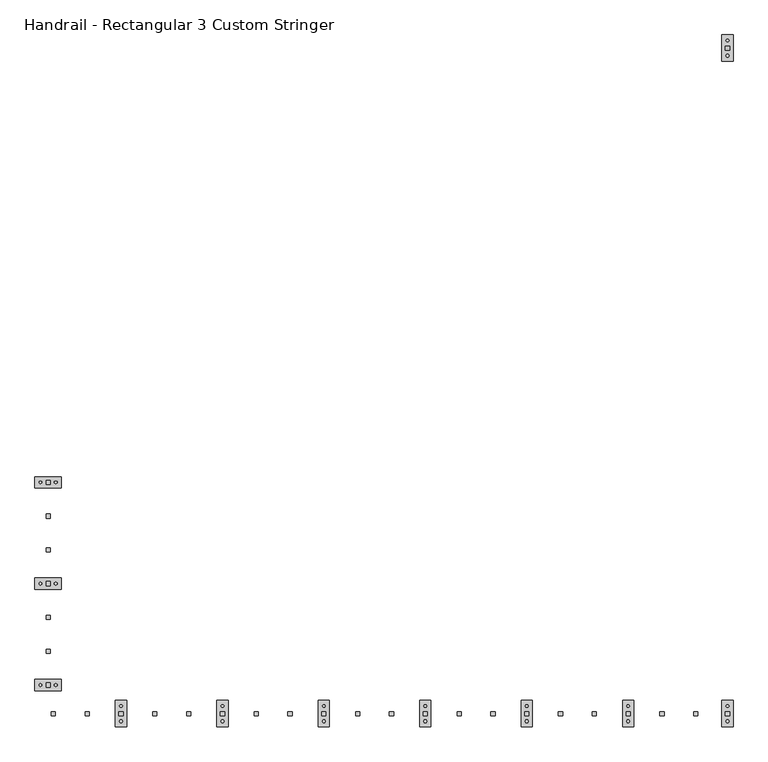
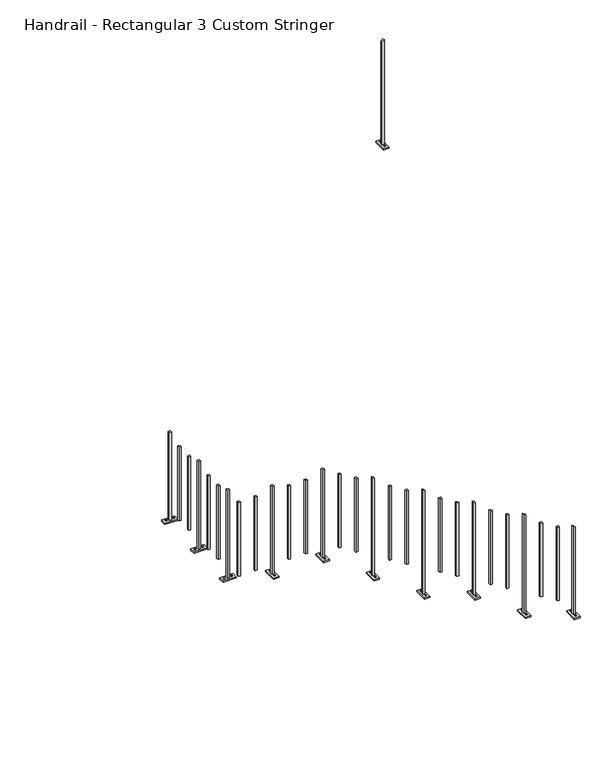
"""IFC4 building model written with IfcOpenShell, lengths in millimetres: railing geometry, Handrail - Rectangular 3 Custom Stringer."""

from ifc_helpers import new_model, si_unit, frame, origin, place, context, project, spatial, polyline, outline, extrude, faceted_brep, source, transform, mapped, element, save


def handrail_rectangular_3_custom_stringer_d1c2393f(model_context):
    return source(origin(), model_context, "Body", "SolidModel", [
        faceted_brep([(-5700.7876908, -9950.9830892, 1524.0), (-5821.4376908, -9950.9830892, 1524.0), (-5821.4376908, -9900.1830892, 1524.0), (-5700.7876908, -9900.1830892, 1524.0), (-5770.6376908, -9935.1080892, 2387.6), (-5770.6376908, -9935.1080892, 1536.7), (-5751.5876908, -9935.1080892, 1536.7), (-5751.5876908, -9935.1080892, 2387.6), (-5770.6376908, -9916.0580892, 2387.6), (-5770.6376908, -9916.0580892, 1536.7), (-5751.5876908, -9916.0580892, 2387.6), (-5751.5876908, -9916.0580892, 1536.7), (-5700.7876908, -9950.9830892, 1536.7), (-5700.7876908, -9900.1830892, 1536.7), (-5821.4376908, -9900.1830892, 1536.7), (-5821.4376908, -9950.9830892, 1536.7)], [[[0, 1, 2, 3]], [[4, 5, 6, 7]], [[8, 9, 5, 4]], [[10, 11, 9, 8]], [[7, 6, 11, 10]], [[7, 10, 8, 4]], [[12, 13, 14, 15], [5, 9, 11, 6]], [[15, 1, 0, 12]], [[14, 2, 1, 15]], [[13, 3, 2, 14]], [[12, 0, 3, 13]]]),
        extrude(outline(polyline([(-5796.0376908, -9932.9154376), (-5802.3876908, -9929.2492634), (-5802.3876908, -9921.916915), (-5796.0376908, -9918.2507408), (-5789.6876908, -9921.916915), (-5789.6876908, -9929.2492634), (-5796.0376908, -9932.9154376)])), frame((0.0, 0.0, 1536.7), z_axis=(0.0, 0.0, 1.0), x_axis=(1.0, 0.0, 0.0)), (0.0, 0.0, 1.0), 6.35),
        extrude(outline(polyline([(-5726.1876908, -9932.9154376), (-5732.5376908, -9929.2492634), (-5732.5376908, -9921.916915), (-5726.1876908, -9918.2507408), (-5719.8376908, -9921.916915), (-5719.8376908, -9929.2492634), (-5726.1876908, -9932.9154376)])), frame((0.0, 0.0, 1536.7), z_axis=(0.0, 0.0, 1.0), x_axis=(1.0, 0.0, 0.0)), (0.0, 0.0, 1.0), 6.35),
        extrude(outline(polyline([(-5770.6376908, -10088.8701327), (-5770.6376908, -10069.8201327), (-5751.5876908, -10069.8201327), (-5751.5876908, -10088.8701327), (-5770.6376908, -10088.8701327)])), frame((0.0, 0.0, 1625.6), z_axis=(0.0, 0.0, 1.0), x_axis=(1.0, 0.0, 0.0)), (0.0, 0.0, 1.0), 711.2),
        extrude(outline(polyline([(-5770.6376908, -10242.6321763), (-5770.6376908, -10223.5821763), (-5751.5876908, -10223.5821763), (-5751.5876908, -10242.6321763), (-5770.6376908, -10242.6321763)])), frame((0.0, 0.0, 1625.6), z_axis=(0.0, 0.0, 1.0), x_axis=(1.0, 0.0, 0.0)), (0.0, 0.0, 1.0), 711.2),
        faceted_brep([(-5700.7876908, -10412.2692198, 1524.0), (-5821.4376908, -10412.2692198, 1524.0), (-5821.4376908, -10361.4692198, 1524.0), (-5700.7876908, -10361.4692198, 1524.0), (-5770.6376908, -10396.3942198, 2387.6), (-5770.6376908, -10396.3942198, 1536.7), (-5751.5876908, -10396.3942198, 1536.7), (-5751.5876908, -10396.3942198, 2387.6), (-5770.6376908, -10377.3442198, 2387.6), (-5770.6376908, -10377.3442198, 1536.7), (-5751.5876908, -10377.3442198, 2387.6), (-5751.5876908, -10377.3442198, 1536.7), (-5700.7876908, -10412.2692198, 1536.7), (-5700.7876908, -10361.4692198, 1536.7), (-5821.4376908, -10361.4692198, 1536.7), (-5821.4376908, -10412.2692198, 1536.7)], [[[0, 1, 2, 3]], [[4, 5, 6, 7]], [[8, 9, 5, 4]], [[10, 11, 9, 8]], [[7, 6, 11, 10]], [[7, 10, 8, 4]], [[12, 13, 14, 15], [5, 9, 11, 6]], [[15, 1, 0, 12]], [[14, 2, 1, 15]], [[13, 3, 2, 14]], [[12, 0, 3, 13]]]),
        extrude(outline(polyline([(-5796.0376908, -10394.2015682), (-5802.3876908, -10390.535394), (-5802.3876908, -10383.2030456), (-5796.0376908, -10379.5368714), (-5789.6876908, -10383.2030456), (-5789.6876908, -10390.535394), (-5796.0376908, -10394.2015682)])), frame((0.0, 0.0, 1536.7), z_axis=(0.0, 0.0, 1.0), x_axis=(1.0, 0.0, 0.0)), (0.0, 0.0, 1.0), 6.35),
        extrude(outline(polyline([(-5726.1876908, -10394.2015682), (-5732.5376908, -10390.535394), (-5732.5376908, -10383.2030456), (-5726.1876908, -10379.5368714), (-5719.8376908, -10383.2030456), (-5719.8376908, -10390.535394), (-5726.1876908, -10394.2015682)])), frame((0.0, 0.0, 1536.7), z_axis=(0.0, 0.0, 1.0), x_axis=(1.0, 0.0, 0.0)), (0.0, 0.0, 1.0), 6.35),
        extrude(outline(polyline([(-5770.6376908, -10550.1562633), (-5770.6376908, -10531.1062633), (-5751.5876908, -10531.1062633), (-5751.5876908, -10550.1562633), (-5770.6376908, -10550.1562633)])), frame((0.0, 0.0, 1625.6), z_axis=(0.0, 0.0, 1.0), x_axis=(1.0, 0.0, 0.0)), (0.0, 0.0, 1.0), 711.2),
        extrude(outline(polyline([(-5770.6376908, -10703.9183069), (-5770.6376908, -10684.8683069), (-5751.5876908, -10684.8683069), (-5751.5876908, -10703.9183069), (-5770.6376908, -10703.9183069)])), frame((0.0, 0.0, 1625.6), z_axis=(0.0, 0.0, 1.0), x_axis=(1.0, 0.0, 0.0)), (0.0, 0.0, 1.0), 711.2),
        faceted_brep([(-5700.7876908, -10873.5553504, 1524.0), (-5821.4376908, -10873.5553504, 1524.0), (-5821.4376908, -10822.7553504, 1524.0), (-5700.7876908, -10822.7553504, 1524.0), (-5770.6376908, -10857.6803504, 2387.6), (-5770.6376908, -10857.6803504, 1536.7), (-5751.5876908, -10857.6803504, 1536.7), (-5751.5876908, -10857.6803504, 2387.6), (-5770.6376908, -10838.6303504, 2387.6), (-5770.6376908, -10838.6303504, 1536.7), (-5751.5876908, -10838.6303504, 2387.6), (-5751.5876908, -10838.6303504, 1536.7), (-5700.7876908, -10873.5553504, 1536.7), (-5700.7876908, -10822.7553504, 1536.7), (-5821.4376908, -10822.7553504, 1536.7), (-5821.4376908, -10873.5553504, 1536.7)], [[[0, 1, 2, 3]], [[4, 5, 6, 7]], [[8, 9, 5, 4]], [[10, 11, 9, 8]], [[7, 6, 11, 10]], [[7, 10, 8, 4]], [[12, 13, 14, 15], [5, 9, 11, 6]], [[15, 1, 0, 12]], [[14, 2, 1, 15]], [[13, 3, 2, 14]], [[12, 0, 3, 13]]]),
        extrude(outline(polyline([(-5796.0376908, -10855.4876989), (-5802.3876908, -10851.8215246), (-5802.3876908, -10844.4891762), (-5796.0376908, -10840.823002), (-5789.6876908, -10844.4891762), (-5789.6876908, -10851.8215246), (-5796.0376908, -10855.4876989)])), frame((0.0, 0.0, 1536.7), z_axis=(0.0, 0.0, 1.0), x_axis=(1.0, 0.0, 0.0)), (0.0, 0.0, 1.0), 6.35),
        extrude(outline(polyline([(-5726.1876908, -10855.4876989), (-5732.5376908, -10851.8215246), (-5732.5376908, -10844.4891762), (-5726.1876908, -10840.823002), (-5719.8376908, -10844.4891762), (-5719.8376908, -10851.8215246), (-5726.1876908, -10855.4876989)])), frame((0.0, 0.0, 1536.7), z_axis=(0.0, 0.0, 1.0), x_axis=(1.0, 0.0, 0.0)), (0.0, 0.0, 1.0), 6.35),
        extrude(outline(polyline([(-5728.0285617, -10987.8832649), (-5747.0785617, -10987.8832649), (-5747.0785617, -10968.8332649), (-5728.0285617, -10968.8332649), (-5728.0285617, -10987.8832649)])), frame((0.0, 0.0, 1625.6), z_axis=(0.0, 0.0, 1.0), x_axis=(1.0, 0.0, 0.0)), (0.0, 0.0, 1.0), 711.2),
        extrude(outline(polyline([(-5574.2665182, -10987.8832649), (-5593.3165182, -10987.8832649), (-5593.3165182, -10968.8332649), (-5574.2665182, -10968.8332649), (-5574.2665182, -10987.8832649)])), frame((0.0, 0.0, 1625.6), z_axis=(0.0, 0.0, 1.0), x_axis=(1.0, 0.0, 0.0)), (0.0, 0.0, 1.0), 711.2),
        faceted_brep([(-5404.6294746, -10918.0332649, 1524.0), (-5404.6294746, -11038.6832649, 1524.0), (-5455.4294746, -11038.6832649, 1524.0), (-5455.4294746, -10918.0332649, 1524.0), (-5420.5044746, -10987.8832649, 2387.6), (-5420.5044746, -10987.8832649, 1536.7), (-5420.5044746, -10968.8332649, 1536.7), (-5420.5044746, -10968.8332649, 2387.6), (-5439.5544746, -10987.8832649, 2387.6), (-5439.5544746, -10987.8832649, 1536.7), (-5439.5544746, -10968.8332649, 2387.6), (-5439.5544746, -10968.8332649, 1536.7), (-5404.6294746, -10918.0332649, 1536.7), (-5455.4294746, -10918.0332649, 1536.7), (-5455.4294746, -11038.6832649, 1536.7), (-5404.6294746, -11038.6832649, 1536.7)], [[[0, 1, 2, 3]], [[4, 5, 6, 7]], [[8, 9, 5, 4]], [[10, 11, 9, 8]], [[7, 6, 11, 10]], [[7, 10, 8, 4]], [[12, 13, 14, 15], [5, 9, 11, 6]], [[15, 1, 0, 12]], [[14, 2, 1, 15]], [[13, 3, 2, 14]], [[12, 0, 3, 13]]]),
        extrude(outline(polyline([(-5422.6971262, -11013.2832649), (-5426.3633004, -11019.6332649), (-5433.6956488, -11019.6332649), (-5437.361823, -11013.2832649), (-5433.6956488, -11006.9332649), (-5426.3633004, -11006.9332649), (-5422.6971262, -11013.2832649)])), frame((0.0, 0.0, 1536.7), z_axis=(0.0, 0.0, 1.0), x_axis=(1.0, 0.0, 0.0)), (0.0, 0.0, 1.0), 6.35),
        extrude(outline(polyline([(-5422.6971262, -10943.4332649), (-5426.3633004, -10949.7832649), (-5433.6956488, -10949.7832649), (-5437.361823, -10943.4332649), (-5433.6956488, -10937.0832649), (-5426.3633004, -10937.0832649), (-5422.6971262, -10943.4332649)])), frame((0.0, 0.0, 1536.7), z_axis=(0.0, 0.0, 1.0), x_axis=(1.0, 0.0, 0.0)), (0.0, 0.0, 1.0), 6.35),
        extrude(outline(polyline([(-5266.7424311, -10987.8832649), (-5285.7924311, -10987.8832649), (-5285.7924311, -10968.8332649), (-5266.7424311, -10968.8332649), (-5266.7424311, -10987.8832649)])), frame((0.0, 0.0, 1625.6), z_axis=(0.0, 0.0, 1.0), x_axis=(1.0, 0.0, 0.0)), (0.0, 0.0, 1.0), 711.2),
        extrude(outline(polyline([(-5112.9803875, -10987.8832649), (-5132.0303875, -10987.8832649), (-5132.0303875, -10968.8332649), (-5112.9803875, -10968.8332649), (-5112.9803875, -10987.8832649)])), frame((0.0, 0.0, 1625.6), z_axis=(0.0, 0.0, 1.0), x_axis=(1.0, 0.0, 0.0)), (0.0, 0.0, 1.0), 711.2),
        faceted_brep([(-4943.343344, -10918.0332649, 1524.0), (-4943.343344, -11038.6832649, 1524.0), (-4994.143344, -11038.6832649, 1524.0), (-4994.143344, -10918.0332649, 1524.0), (-4959.218344, -10987.8832649, 2387.6), (-4959.218344, -10987.8832649, 1536.7), (-4959.218344, -10968.8332649, 1536.7), (-4959.218344, -10968.8332649, 2387.6), (-4978.268344, -10987.8832649, 2387.6), (-4978.268344, -10987.8832649, 1536.7), (-4978.268344, -10968.8332649, 2387.6), (-4978.268344, -10968.8332649, 1536.7), (-4943.343344, -10918.0332649, 1536.7), (-4994.143344, -10918.0332649, 1536.7), (-4994.143344, -11038.6832649, 1536.7), (-4943.343344, -11038.6832649, 1536.7)], [[[0, 1, 2, 3]], [[4, 5, 6, 7]], [[8, 9, 5, 4]], [[10, 11, 9, 8]], [[7, 6, 11, 10]], [[7, 10, 8, 4]], [[12, 13, 14, 15], [5, 9, 11, 6]], [[15, 1, 0, 12]], [[14, 2, 1, 15]], [[13, 3, 2, 14]], [[12, 0, 3, 13]]]),
        extrude(outline(polyline([(-4961.4109956, -11013.2832649), (-4965.0771698, -11019.6332649), (-4972.4095182, -11019.6332649), (-4976.0756924, -11013.2832649), (-4972.4095182, -11006.9332649), (-4965.0771698, -11006.9332649), (-4961.4109956, -11013.2832649)])), frame((0.0, 0.0, 1536.7), z_axis=(0.0, 0.0, 1.0), x_axis=(1.0, 0.0, 0.0)), (0.0, 0.0, 1.0), 6.35),
        extrude(outline(polyline([(-4961.4109956, -10943.4332649), (-4965.0771698, -10949.7832649), (-4972.4095182, -10949.7832649), (-4976.0756924, -10943.4332649), (-4972.4095182, -10937.0832649), (-4965.0771698, -10937.0832649), (-4961.4109956, -10943.4332649)])), frame((0.0, 0.0, 1536.7), z_axis=(0.0, 0.0, 1.0), x_axis=(1.0, 0.0, 0.0)), (0.0, 0.0, 1.0), 6.35),
        extrude(outline(polyline([(-4805.4563004, -10987.8832649), (-4824.5063004, -10987.8832649), (-4824.5063004, -10968.8332649), (-4805.4563004, -10968.8332649), (-4805.4563004, -10987.8832649)])), frame((0.0, 0.0, 1575.5809755), z_axis=(0.0, 0.0, 1.0), x_axis=(1.0, 0.0, 0.0)), (0.0, 0.0, 1.0), 711.2),
        extrude(outline(polyline([(-4651.6942569, -10987.8832649), (-4670.7442569, -10987.8832649), (-4670.7442569, -10968.8332649), (-4651.6942569, -10968.8332649), (-4651.6942569, -10987.8832649)])), frame((0.0, 0.0, 1482.3918582), z_axis=(0.0, 0.0, 1.0), x_axis=(1.0, 0.0, 0.0)), (0.0, 0.0, 1.0), 711.2),
        faceted_brep([(-4482.0572134, -10918.0332649, 1185.3333333), (-4482.0572134, -11038.6832649, 1185.3333333), (-4532.8572134, -11038.6832649, 1185.3333333), (-4532.8572134, -10918.0332649, 1185.3333333), (-4497.9322134, -10987.8832649, 2136.8285534), (-4497.9322134, -10987.8832649, 1198.0333333), (-4497.9322134, -10968.8332649, 1198.0333333), (-4497.9322134, -10968.8332649, 2136.8285534), (-4516.9822134, -10987.8832649, 2148.374008), (-4516.9822134, -10987.8832649, 1198.0333333), (-4516.9822134, -10968.8332649, 2148.374008), (-4516.9822134, -10968.8332649, 1198.0333333), (-4482.0572134, -10918.0332649, 1198.0333333), (-4532.8572134, -10918.0332649, 1198.0333333), (-4532.8572134, -11038.6832649, 1198.0333333), (-4482.0572134, -11038.6832649, 1198.0333333)], [[[0, 1, 2, 3]], [[4, 5, 6, 7]], [[8, 9, 5, 4]], [[10, 11, 9, 8]], [[7, 6, 11, 10]], [[7, 10, 8, 4]], [[12, 13, 14, 15], [5, 9, 11, 6]], [[15, 1, 0, 12]], [[14, 2, 1, 15]], [[13, 3, 2, 14]], [[12, 0, 3, 13]]]),
        extrude(outline(polyline([(-4500.1248649, -11013.2832649), (-4503.7910391, -11019.6332649), (-4511.1233876, -11019.6332649), (-4514.7895618, -11013.2832649), (-4511.1233876, -11006.9332649), (-4503.7910391, -11006.9332649), (-4500.1248649, -11013.2832649)])), frame((0.0, 0.0, 1198.0333333), z_axis=(0.0, 0.0, 1.0), x_axis=(1.0, 0.0, 0.0)), (0.0, 0.0, 1.0), 6.35),
        extrude(outline(polyline([(-4500.1248649, -10943.4332649), (-4503.7910391, -10949.7832649), (-4511.1233876, -10949.7832649), (-4514.7895618, -10943.4332649), (-4511.1233876, -10937.0832649), (-4503.7910391, -10937.0832649), (-4500.1248649, -10943.4332649)])), frame((0.0, 0.0, 1198.0333333), z_axis=(0.0, 0.0, 1.0), x_axis=(1.0, 0.0, 0.0)), (0.0, 0.0, 1.0), 6.35),
        extrude(outline(polyline([(-4344.1701698, -10987.8832649), (-4363.2201698, -10987.8832649), (-4363.2201698, -10968.8332649), (-4344.1701698, -10968.8332649), (-4344.1701698, -10987.8832649)])), frame((0.0, 0.0, 1296.0136236), z_axis=(0.0, 0.0, 1.0), x_axis=(1.0, 0.0, 0.0)), (0.0, 0.0, 1.0), 711.2),
        extrude(outline(polyline([(-4190.4081263, -10987.8832649), (-4209.4581263, -10987.8832649), (-4209.4581263, -10968.8332649), (-4190.4081263, -10968.8332649), (-4190.4081263, -10987.8832649)])), frame((0.0, 0.0, 1202.8245063), z_axis=(0.0, 0.0, 1.0), x_axis=(1.0, 0.0, 0.0)), (0.0, 0.0, 1.0), 711.2),
        faceted_brep([(-4020.7710827, -10918.0332649, 846.6666667), (-4020.7710827, -11038.6832649, 846.6666667), (-4071.5710827, -11038.6832649, 846.6666667), (-4071.5710827, -10918.0332649, 846.6666667), (-4036.6460827, -10987.8832649, 1857.2612015), (-4036.6460827, -10987.8832649, 859.3666667), (-4036.6460827, -10968.8332649, 859.3666667), (-4036.6460827, -10968.8332649, 1857.2612015), (-4055.6960827, -10987.8832649, 1868.8066561), (-4055.6960827, -10987.8832649, 859.3666667), (-4055.6960827, -10968.8332649, 1868.8066561), (-4055.6960827, -10968.8332649, 859.3666667), (-4020.7710827, -10918.0332649, 859.3666667), (-4071.5710827, -10918.0332649, 859.3666667), (-4071.5710827, -11038.6832649, 859.3666667), (-4020.7710827, -11038.6832649, 859.3666667)], [[[0, 1, 2, 3]], [[4, 5, 6, 7]], [[8, 9, 5, 4]], [[10, 11, 9, 8]], [[7, 6, 11, 10]], [[7, 10, 8, 4]], [[12, 13, 14, 15], [5, 9, 11, 6]], [[15, 1, 0, 12]], [[14, 2, 1, 15]], [[13, 3, 2, 14]], [[12, 0, 3, 13]]]),
        extrude(outline(polyline([(-4038.8387343, -11013.2832649), (-4042.5049085, -11019.6332649), (-4049.8372569, -11019.6332649), (-4053.5034311, -11013.2832649), (-4049.8372569, -11006.9332649), (-4042.5049085, -11006.9332649), (-4038.8387343, -11013.2832649)])), frame((0.0, 0.0, 859.3666667), z_axis=(0.0, 0.0, 1.0), x_axis=(1.0, 0.0, 0.0)), (0.0, 0.0, 1.0), 6.35),
        extrude(outline(polyline([(-4038.8387343, -10943.4332649), (-4042.5049085, -10949.7832649), (-4049.8372569, -10949.7832649), (-4053.5034311, -10943.4332649), (-4049.8372569, -10937.0832649), (-4042.5049085, -10937.0832649), (-4038.8387343, -10943.4332649)])), frame((0.0, 0.0, 859.3666667), z_axis=(0.0, 0.0, 1.0), x_axis=(1.0, 0.0, 0.0)), (0.0, 0.0, 1.0), 6.35),
        extrude(outline(polyline([(-3882.8840392, -10987.8832649), (-3901.9340392, -10987.8832649), (-3901.9340392, -10968.8332649), (-3882.8840392, -10968.8332649), (-3882.8840392, -10987.8832649)])), frame((0.0, 0.0, 1016.4462717), z_axis=(0.0, 0.0, 1.0), x_axis=(1.0, 0.0, 0.0)), (0.0, 0.0, 1.0), 711.2),
        extrude(outline(polyline([(-3729.1219956, -10987.8832649), (-3748.1719956, -10987.8832649), (-3748.1719956, -10968.8332649), (-3729.1219956, -10968.8332649), (-3729.1219956, -10987.8832649)])), frame((0.0, 0.0, 923.2571544), z_axis=(0.0, 0.0, 1.0), x_axis=(1.0, 0.0, 0.0)), (0.0, 0.0, 1.0), 711.2),
        faceted_brep([(-3559.4849521, -10918.0332649, 677.3333333), (-3559.4849521, -11038.6832649, 677.3333333), (-3610.2849521, -11038.6832649, 677.3333333), (-3610.2849521, -10918.0332649, 677.3333333), (-3575.3599521, -10987.8832649, 1577.6938496), (-3575.3599521, -10987.8832649, 690.0333333), (-3575.3599521, -10968.8332649, 690.0333333), (-3575.3599521, -10968.8332649, 1577.6938496), (-3594.4099521, -10987.8832649, 1589.2393042), (-3594.4099521, -10987.8832649, 690.0333333), (-3594.4099521, -10968.8332649, 1589.2393042), (-3594.4099521, -10968.8332649, 690.0333333), (-3559.4849521, -10918.0332649, 690.0333333), (-3610.2849521, -10918.0332649, 690.0333333), (-3610.2849521, -11038.6832649, 690.0333333), (-3559.4849521, -11038.6832649, 690.0333333)], [[[0, 1, 2, 3]], [[4, 5, 6, 7]], [[8, 9, 5, 4]], [[10, 11, 9, 8]], [[7, 6, 11, 10]], [[7, 10, 8, 4]], [[12, 13, 14, 15], [5, 9, 11, 6]], [[15, 1, 0, 12]], [[14, 2, 1, 15]], [[13, 3, 2, 14]], [[12, 0, 3, 13]]]),
        extrude(outline(polyline([(-3577.5526037, -11013.2832649), (-3581.2187779, -11019.6332649), (-3588.5511263, -11019.6332649), (-3592.2173005, -11013.2832649), (-3588.5511263, -11006.9332649), (-3581.2187779, -11006.9332649), (-3577.5526037, -11013.2832649)])), frame((0.0, 0.0, 690.0333333), z_axis=(0.0, 0.0, 1.0), x_axis=(1.0, 0.0, 0.0)), (0.0, 0.0, 1.0), 6.35),
        extrude(outline(polyline([(-3577.5526037, -10943.4332649), (-3581.2187779, -10949.7832649), (-3588.5511263, -10949.7832649), (-3592.2173005, -10943.4332649), (-3588.5511263, -10937.0832649), (-3581.2187779, -10937.0832649), (-3577.5526037, -10943.4332649)])), frame((0.0, 0.0, 690.0333333), z_axis=(0.0, 0.0, 1.0), x_axis=(1.0, 0.0, 0.0)), (0.0, 0.0, 1.0), 6.35),
        extrude(outline(polyline([(-3421.5979085, -10987.8832649), (-3440.6479085, -10987.8832649), (-3440.6479085, -10968.8332649), (-3421.5979085, -10968.8332649), (-3421.5979085, -10987.8832649)])), frame((0.0, 0.0, 736.8789198), z_axis=(0.0, 0.0, 1.0), x_axis=(1.0, 0.0, 0.0)), (0.0, 0.0, 1.0), 711.2),
        extrude(outline(polyline([(-3267.835865, -10987.8832649), (-3286.885865, -10987.8832649), (-3286.885865, -10968.8332649), (-3267.835865, -10968.8332649), (-3267.835865, -10987.8832649)])), frame((0.0, 0.0, 643.6898025), z_axis=(0.0, 0.0, 1.0), x_axis=(1.0, 0.0, 0.0)), (0.0, 0.0, 1.0), 711.2),
        faceted_brep([(-3098.1988214, -10918.0332649, 338.6666667), (-3098.1988214, -11038.6832649, 338.6666667), (-3148.9988214, -11038.6832649, 338.6666667), (-3148.9988214, -10918.0332649, 338.6666667), (-3114.0738214, -10987.8832649, 1298.1264977), (-3114.0738214, -10987.8832649, 351.3666667), (-3114.0738214, -10968.8332649, 351.3666667), (-3114.0738214, -10968.8332649, 1298.1264977), (-3133.1238214, -10987.8832649, 1309.6719523), (-3133.1238214, -10987.8832649, 351.3666667), (-3133.1238214, -10968.8332649, 1309.6719523), (-3133.1238214, -10968.8332649, 351.3666667), (-3098.1988214, -10918.0332649, 351.3666667), (-3148.9988214, -10918.0332649, 351.3666667), (-3148.9988214, -11038.6832649, 351.3666667), (-3098.1988214, -11038.6832649, 351.3666667)], [[[0, 1, 2, 3]], [[4, 5, 6, 7]], [[8, 9, 5, 4]], [[10, 11, 9, 8]], [[7, 6, 11, 10]], [[7, 10, 8, 4]], [[12, 13, 14, 15], [5, 9, 11, 6]], [[15, 1, 0, 12]], [[14, 2, 1, 15]], [[13, 3, 2, 14]], [[12, 0, 3, 13]]]),
        extrude(outline(polyline([(-3116.266473, -11013.2832649), (-3119.9326472, -11019.6332649), (-3127.2649957, -11019.6332649), (-3130.9311699, -11013.2832649), (-3127.2649957, -11006.9332649), (-3119.9326472, -11006.9332649), (-3116.266473, -11013.2832649)])), frame((0.0, 0.0, 351.3666667), z_axis=(0.0, 0.0, 1.0), x_axis=(1.0, 0.0, 0.0)), (0.0, 0.0, 1.0), 6.35),
        extrude(outline(polyline([(-3116.266473, -10943.4332649), (-3119.9326472, -10949.7832649), (-3127.2649957, -10949.7832649), (-3130.9311699, -10943.4332649), (-3127.2649957, -10937.0832649), (-3119.9326472, -10937.0832649), (-3116.266473, -10943.4332649)])), frame((0.0, 0.0, 351.3666667), z_axis=(0.0, 0.0, 1.0), x_axis=(1.0, 0.0, 0.0)), (0.0, 0.0, 1.0), 6.35),
        extrude(outline(polyline([(-2960.3117779, -10987.8832649), (-2979.3617779, -10987.8832649), (-2979.3617779, -10968.8332649), (-2960.3117779, -10968.8332649), (-2960.3117779, -10987.8832649)])), frame((0.0, 0.0, 457.3115679), z_axis=(0.0, 0.0, 1.0), x_axis=(1.0, 0.0, 0.0)), (0.0, 0.0, 1.0), 711.2),
        extrude(outline(polyline([(-2806.5497344, -10987.8832649), (-2825.5997344, -10987.8832649), (-2825.5997344, -10968.8332649), (-2806.5497344, -10968.8332649), (-2806.5497344, -10987.8832649)])), frame((0.0, 0.0, 364.1224506), z_axis=(0.0, 0.0, 1.0), x_axis=(1.0, 0.0, 0.0)), (0.0, 0.0, 1.0), 711.2),
        faceted_brep([(-2697.2376908, -8010.5606522, 2878.6666667), (-2697.2376908, -7889.9106522, 2878.6666667), (-2646.4376908, -7889.9106522, 2878.6666667), (-2646.4376908, -8010.5606522, 2878.6666667), (-2681.3626908, -7940.7106522, 3891.4530852), (-2681.3626908, -7940.7106522, 2891.3666667), (-2681.3626908, -7959.7606522, 2891.3666667), (-2681.3626908, -7959.7606522, 3891.4530852), (-2662.3126908, -7940.7106522, 3902.9985397), (-2662.3126908, -7940.7106522, 2891.3666667), (-2662.3126908, -7959.7606522, 3902.9985397), (-2662.3126908, -7959.7606522, 2891.3666667), (-2697.2376908, -8010.5606522, 2891.3666667), (-2646.4376908, -8010.5606522, 2891.3666667), (-2646.4376908, -7889.9106522, 2891.3666667), (-2697.2376908, -7889.9106522, 2891.3666667)], [[[0, 1, 2, 3]], [[4, 5, 6, 7]], [[8, 9, 5, 4]], [[10, 11, 9, 8]], [[7, 6, 11, 10]], [[7, 10, 8, 4]], [[12, 13, 14, 15], [5, 9, 11, 6]], [[15, 1, 0, 12]], [[14, 2, 1, 15]], [[13, 3, 2, 14]], [[12, 0, 3, 13]]]),
        extrude(outline(polyline([(-2679.1700392, -7915.3106522), (-2675.503865, -7908.9606522), (-2668.1715166, -7908.9606522), (-2664.5053424, -7915.3106522), (-2668.1715166, -7921.6606522), (-2675.503865, -7921.6606522), (-2679.1700392, -7915.3106522)])), frame((0.0, 0.0, 2891.3666667), z_axis=(0.0, 0.0, 1.0), x_axis=(1.0, 0.0, 0.0)), (0.0, 0.0, 1.0), 6.35),
        extrude(outline(polyline([(-2679.1700392, -7985.1606522), (-2675.503865, -7978.8106522), (-2668.1715166, -7978.8106522), (-2664.5053424, -7985.1606522), (-2668.1715166, -7991.5106522), (-2675.503865, -7991.5106522), (-2679.1700392, -7985.1606522)])), frame((0.0, 0.0, 2891.3666667), z_axis=(0.0, 0.0, 1.0), x_axis=(1.0, 0.0, 0.0)), (0.0, 0.0, 1.0), 6.35),
        faceted_brep([(-2646.4376908, -10918.0332649, 169.3333333), (-2646.4376908, -11038.6832649, 169.3333333), (-2697.2376908, -11038.6832649, 169.3333333), (-2697.2376908, -10918.0332649, 169.3333333), (-2662.3126908, -10987.8832649, 1024.3318731), (-2662.3126908, -10987.8832649, 182.0333333), (-2662.3126908, -10968.8332649, 182.0333333), (-2662.3126908, -10968.8332649, 1024.3318731), (-2681.3626908, -10987.8832649, 1035.8773276), (-2681.3626908, -10987.8832649, 182.0333333), (-2681.3626908, -10968.8332649, 1035.8773276), (-2681.3626908, -10968.8332649, 182.0333333), (-2646.4376908, -10918.0332649, 182.0333333), (-2697.2376908, -10918.0332649, 182.0333333), (-2697.2376908, -11038.6832649, 182.0333333), (-2646.4376908, -11038.6832649, 182.0333333)], [[[0, 1, 2, 3]], [[4, 5, 6, 7]], [[8, 9, 5, 4]], [[10, 11, 9, 8]], [[7, 6, 11, 10]], [[7, 10, 8, 4]], [[12, 13, 14, 15], [5, 9, 11, 6]], [[15, 1, 0, 12]], [[14, 2, 1, 15]], [[13, 3, 2, 14]], [[12, 0, 3, 13]]]),
        extrude(outline(polyline([(-2664.5053424, -11013.2832649), (-2668.1715166, -11019.6332649), (-2675.503865, -11019.6332649), (-2679.1700392, -11013.2832649), (-2675.503865, -11006.9332649), (-2668.1715166, -11006.9332649), (-2664.5053424, -11013.2832649)])), frame((0.0, 0.0, 182.0333333), z_axis=(0.0, 0.0, 1.0), x_axis=(1.0, 0.0, 0.0)), (0.0, 0.0, 1.0), 6.35),
        extrude(outline(polyline([(-2664.5053424, -10943.4332649), (-2668.1715166, -10949.7832649), (-2675.503865, -10949.7832649), (-2679.1700392, -10943.4332649), (-2675.503865, -10937.0832649), (-2668.1715166, -10937.0832649), (-2664.5053424, -10943.4332649)])), frame((0.0, 0.0, 182.0333333), z_axis=(0.0, 0.0, 1.0), x_axis=(1.0, 0.0, 0.0)), (0.0, 0.0, 1.0), 6.35),
    ])


if __name__ == "__main__":
    model = new_model("IFC4")
    model_context = context("Model", 3, world=origin())
    ifc_project = project(units=[si_unit("LENGTHUNIT", "METRE", prefix="MILLI")], contexts=[model_context])
    site = spatial("IfcSite", under=ifc_project)
    building = spatial("IfcBuilding", under=site)
    placement = place(None, origin())
    handrail_rectangular_3_custom_stringer_shape = handrail_rectangular_3_custom_stringer_d1c2393f(model_context)
    element("IfcRailing", 1, ObjectType="Handrail - Rectangular 3 Custom Stringer", at=placement, inside=building, context=model_context, shape_type="MappedRepresentation", body=[
        mapped(handrail_rectangular_3_custom_stringer_shape, transform((0.0, 0.0, 0.0), x_axis=(1.0, 0.0, 0.0), y_axis=(0.0, 1.0, 0.0), z_axis=(0.0, 0.0, 1.0))),
    ])
    save(model, "model.ifc")
